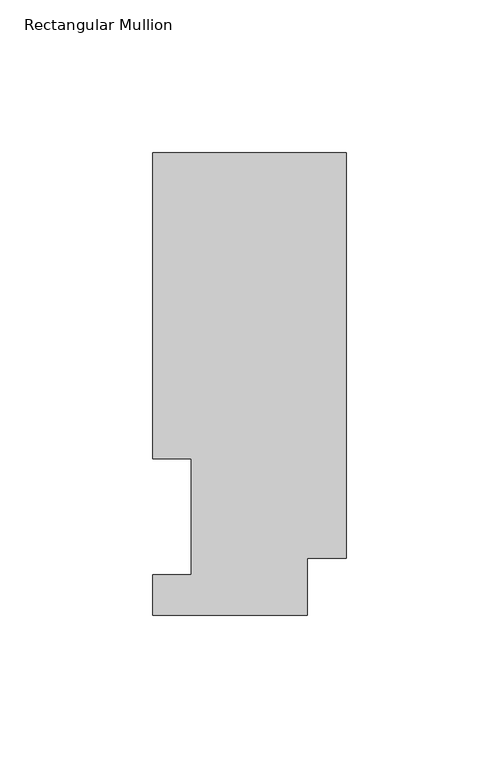
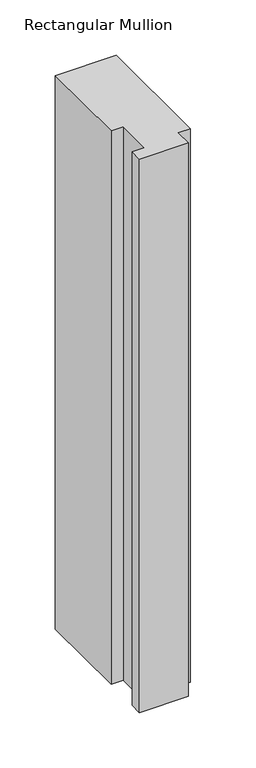
"""IFC4 building model written with IfcOpenShell, lengths in millimetres: member geometry, Rectangular Mullion."""

from ifc_helpers import new_model, si_unit, frame, origin, place, context, project, spatial, polyline, outline, extrude, source, transform, mapped, element, save


def rectangular_mullion_93adc697(model_context):
    return source(origin(), model_context, "Body", "SweptSolid", [
        extrude(outline(polyline([(-63.5, 151.7022937), (0.0, 151.7022937), (0.0, 18.7332937), (-12.7, 18.7332937), (-12.7, 0.0134937), (-63.5, 0.0134937), (-63.5, 13.1960938), (-50.8, 13.1960938), (-50.8, 51.2960938), (-63.5, 51.2960937), (-63.5, 151.7022937)])), frame((0.0, 0.0, -609.587333), z_axis=(0.0, 0.0, 1.0), x_axis=(1.0, 0.0, 0.0)), (0.0, 0.0, 1.0), 609.587333),
    ])


if __name__ == "__main__":
    model = new_model("IFC4")
    model_context = context("Model", 3, world=origin())
    ifc_project = project(units=[si_unit("LENGTHUNIT", "METRE", prefix="MILLI")], contexts=[model_context])
    site = spatial("IfcSite", under=ifc_project)
    building = spatial("IfcBuilding", under=site)
    placement = place(None, origin())
    rectangular_mullion_shape = rectangular_mullion_93adc697(model_context)
    element("IfcMember", 1, ObjectType="Rectangular Mullion", at=placement, inside=building, context=model_context, shape_type="MappedRepresentation", body=[
        mapped(rectangular_mullion_shape, transform((0.0, 0.0, 0.0), x_axis=(1.0, 0.0, 0.0), y_axis=(0.0, 1.0, 0.0), z_axis=(0.0, 0.0, 1.0))),
    ])
    save(model, "model.ifc")
